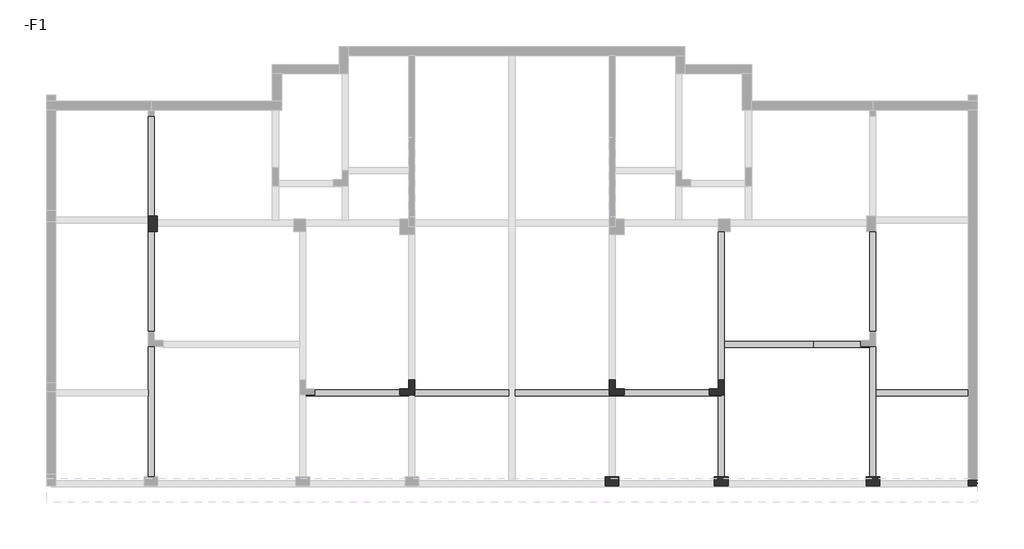
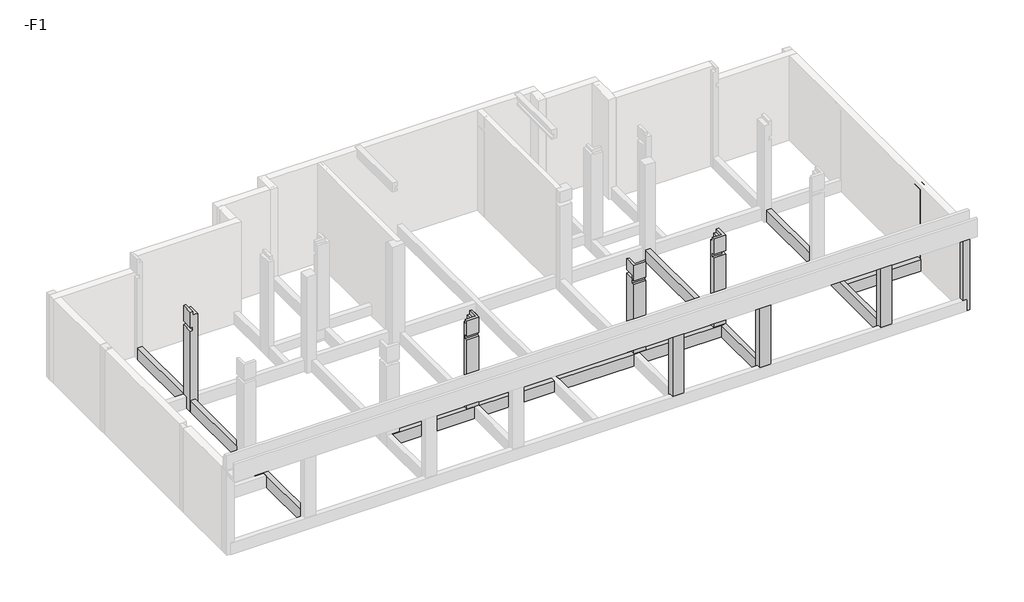
# One storey, part 2 of 4: 17 columns, 7 beams.
"""IFC4 building model written with IfcOpenShell, lengths in millimetres."""

from ifc_helpers import new_model, si_unit, frame, origin, place, context, project, spatial, polyline, outline, extrude, faceted_brep, element, save

model = new_model("IFC4")

# Units and contexts
model_context = context("Model", 3, world=origin())
ifc_project = project(units=[si_unit("LENGTHUNIT", "METRE", prefix="MILLI")], contexts=[model_context])

# Site, building, storey
site = spatial("IfcSite", under=ifc_project)
building = spatial("IfcBuilding", under=site)
storey = spatial("IfcBuildingStorey", under=building, Name="-F1", Elevation=-3900.0)

# Beams
placement = place(None, origin())
element("IfcBeam", 1, at=placement, inside=storey, context=model_context, shape_type="Brep", body=[
    faceted_brep([(-15967.9488808, 7451.1929485, -3900.0), (-16167.9488808, 7451.1929485, -3900.0), (-16167.9488808, 4151.1929535, -3900.0), (-15967.9488808, 4151.1929535, -3900.0), (-15967.9488808, 7451.1929485, -4400.0), (-15967.9488808, 4151.1929535, -4400.0), (-16167.9488808, 7451.1929485, -4400.0), (-16167.9488808, 4151.1929535, -4400.0)], [[[0, 1, 2, 3]], [[4, 0, 3, 5]], [[6, 4, 5, 7]], [[1, 6, 7, 2]], [[1, 0, 4, 6]], [[3, 2, 7, 5]]]),
    faceted_brep([(-16167.9488808, 3651.1929535, -3900.0), (-15967.9488808, 3651.1929535, -3900.0), (-15967.9488808, 3651.1929535, -4400.0), (-16167.9488808, 3651.1929535, -4400.0), (-15967.9488808, 351.187898, -3900.0), (-16167.9488808, 351.187898, -3900.0), (-16167.9488808, 351.187898, -4400.0), (-15967.9488808, 351.187898, -4400.0)], [[[0, 1, 2, 3]], [[4, 5, 6, 7]], [[1, 0, 5, 4]], [[2, 1, 4, 7]], [[3, 2, 7, 6]], [[0, 3, 6, 5]]]),
    faceted_brep([(-16167.9488808, -148.812102, -3900.0), (-15967.9488808, -148.812102, -3900.0), (-15967.9488808, -148.812102, -4400.0), (-16167.9488808, -148.812102, -4400.0), (-15967.9488808, -4448.8065585, -3900.0), (-16167.9488808, -4448.8065585, -3900.0), (-16167.9488808, -4448.8065585, -4400.0), (-15967.9488808, -4448.8065585, -4400.0), (-16167.9488808, -1579.2600705, -3900.0), (-16167.9488808, -1779.2600705, -3900.0), (-16167.9488808, -1779.2600705, -4400.0), (-16167.9488808, -1579.2600705, -4400.0)], [[[0, 1, 2, 3]], [[4, 5, 6, 7]], [[1, 0, 8, 9, 5, 4]], [[2, 1, 4, 7]], [[3, 2, 7, 6, 10, 11]], [[0, 3, 11, 10, 6, 5, 9, 8]]]),
])
element("IfcBeam", 2, at=placement, inside=storey, context=model_context, shape_type="Brep", body=[
    faceted_brep([(2332.0511192, -1748.8070515, -3900.0), (2332.0511192, -1579.255022, -3900.0), (-467.9488808, -1579.255022, -3900.0), (-467.9488808, -1748.812102, -3900.0), (-967.9488808, -1748.812102, -3900.0), (-967.9488808, -1579.255022, -3900.0), (-4067.9488808, -1579.255022, -3900.0), (-4067.9488808, -1779.255022, -3900.0), (-967.9488808, -1779.255022, -3900.0), (-767.9488808, -1779.255022, -3900.0), (2632.0511192, -1779.255022, -3900.0), (2732.0511192, -1779.255022, -3900.0), (2732.0511192, -1748.8070515, -3900.0), (2732.0511192, -1779.255022, -4400.0), (-4067.9488808, -1779.255022, -4400.0), (-967.9488808, -1779.255022, -4400.0), (-767.9488808, -1779.255022, -4400.0), (2632.0511192, -1779.255022, -4400.0), (2332.0511192, -1579.255022, -4400.0), (2332.0511192, -1748.8070515, -4400.0), (2732.0511192, -1748.8070515, -4400.0), (-4067.9488808, -1579.255022, -4400.0), (-967.9488808, -1579.255022, -4400.0), (-967.9488808, -1748.812102, -4400.0), (-467.9488808, -1748.812102, -4400.0), (-467.9488808, -1579.255022, -4400.0)], [[[0, 1, 2, 3, 4, 5, 6, 7, 8, 9, 10, 11, 12]], [[13, 11, 10, 9, 8, 7, 14, 15, 16, 17]], [[18, 19, 20, 13, 17, 16, 15, 14, 21, 22, 23, 24, 25]], [[1, 18, 25, 2]], [[11, 13, 20, 12]], [[0, 19, 18, 1]], [[19, 0, 12, 20]], [[24, 3, 2, 25]], [[4, 23, 22, 5]], [[3, 24, 23, 4]], [[5, 22, 21, 6]], [[6, 21, 14, 7]]]),
    faceted_brep([(-10667.9488808, -1748.8070515, -4400.0), (-10667.9488808, -1748.8070515, -3900.0), (-10667.9488808, -1579.255022, -3900.0), (-10667.9488808, -1579.255022, -4400.0), (-10967.9488808, -1748.8070515, -4400.0), (-10967.9488808, -1748.8070515, -3900.0), (-7867.9488808, -1748.812102, -3900.0), (-7867.9488808, -1748.812102, -4400.0), (-7867.9488808, -1579.255022, -4400.0), (-7867.9488808, -1579.255022, -3900.0), (-7567.9488808, -1748.812102, -3900.0), (-7567.9488808, -1748.812102, -4400.0), (-7567.9488808, -1779.255022, -3900.0), (-7567.9488808, -1779.255022, -4400.0), (-10967.9488808, -1779.255022, -3900.0), (-10967.9488808, -1779.255022, -4400.0)], [[[0, 1, 2, 3]], [[1, 0, 4, 5]], [[6, 7, 8, 9]], [[7, 6, 10, 11]], [[3, 2, 9, 8]], [[10, 12, 13, 11]], [[2, 1, 5, 14, 12, 10, 6, 9]], [[13, 12, 14, 15]], [[0, 3, 8, 7, 11, 13, 15, 4]], [[5, 4, 15, 14]]]),
    faceted_brep([(-7367.9488808, -1579.255022, -3900.0), (-7367.9488808, -1579.255022, -4400.0), (-7367.9488808, -1748.812102, -4400.0), (-7367.9488808, -1779.255022, -4400.0), (-7367.9488808, -1779.255022, -3900.0), (-7367.9488808, -1748.812102, -3900.0), (-4267.9488808, -1579.255022, -4400.0), (-4267.9488808, -1579.255022, -3900.0), (-4267.9488808, -1779.255022, -3900.0), (-4267.9488808, -1779.255022, -4400.0)], [[[0, 1, 2, 3, 4, 5]], [[6, 7, 8, 9]], [[1, 0, 7, 6]], [[0, 5, 4, 8, 7]], [[4, 3, 9, 8]], [[3, 2, 1, 6, 9]]]),
])
element("IfcBeam", 3, at=placement, inside=storey, context=model_context, shape_type="Brep", body=[
    faceted_brep([(7832.0511192, 3651.1929535, -3900.0), (7632.0511192, 3651.1929535, -3900.0), (7632.0511192, 351.187898, -3900.0), (7832.0511192, 351.187898, -3900.0), (7832.0511192, 3651.1929535, -4400.0), (7832.0511192, 351.187898, -4400.0), (7632.0511192, 3651.1929535, -4400.0), (7632.0511192, 351.187898, -4400.0)], [[[0, 1, 2, 3]], [[4, 0, 3, 5]], [[6, 4, 5, 7]], [[1, 6, 7, 2]], [[1, 0, 4, 6]], [[3, 2, 7, 5]]]),
    faceted_brep([(7832.0511192, -4448.8065585, -3900.0), (7632.0511192, -4448.8065585, -3900.0), (7632.0511192, -4448.8065585, -4400.0), (7832.0511192, -4448.8065585, -4400.0), (7632.0511192, -148.812102, -3900.0), (7832.0511192, -148.812102, -3900.0), (7832.0511192, -148.812102, -4400.0), (7632.0511192, -148.812102, -4400.0), (7832.0511192, -1779.2600705, -3900.0), (7832.0511192, -1579.2600705, -3900.0), (7632.0511192, -179.2550199, -3900.0), (7832.0511192, -1779.2600705, -4400.0), (7832.0511192, -1579.2600705, -4400.0), (7632.0511192, -179.2550199, -4400.0)], [[[0, 1, 2, 3]], [[4, 5, 6, 7]], [[1, 0, 8, 9, 5, 4, 10]], [[0, 3, 11, 12, 6, 5, 9, 8]], [[3, 2, 13, 7, 6, 12, 11]], [[2, 1, 10, 4, 7, 13]]]),
])
element("IfcBeam", 4, at=placement, inside=storey, context=model_context, shape_type="Brep", body=[
    faceted_brep([(2832.0511192, 3651.1929485, -3900.0), (2632.0511192, 3651.1929485, -3900.0), (2632.0511192, -1248.8070515, -3900.0), (2832.0511192, -1248.8070515, -3900.0), (2832.0511192, -179.2550199, -3900.0), (2832.0511192, 20.7449801, -3900.0), (2832.0511192, 3651.1929485, -4400.0), (2832.0511192, -1248.8070515, -4400.0), (2832.0511192, -179.2550199, -4400.0), (2832.0511192, 20.7449801, -4400.0), (2632.0511192, 3651.1929485, -4400.0), (2632.0511192, -1248.8070515, -4400.0)], [[[0, 1, 2, 3, 4, 5]], [[6, 0, 5, 4, 3, 7, 8, 9]], [[10, 6, 9, 8, 7, 11]], [[1, 10, 11, 2]], [[1, 0, 6, 10]], [[3, 2, 11, 7]]]),
    faceted_brep([(2832.0511192, -4448.8065585, -3900.0), (2632.0511192, -4448.8065585, -3900.0), (2632.0511192, -4448.8065585, -4400.0), (2832.0511192, -4448.8065585, -4400.0), (2832.0511192, -1748.8070515, -3900.0), (2832.0511192, -1748.8070515, -4400.0), (2732.0511192, -1748.8070515, -4400.0), (2732.0511192, -1748.8070515, -3900.0), (2732.0511192, -1779.255022, -3900.0), (2632.0511192, -1779.255022, -3900.0), (2632.0511192, -1779.255022, -4400.0), (2732.0511192, -1779.255022, -4400.0)], [[[0, 1, 2, 3]], [[4, 5, 6, 7]], [[1, 0, 4, 7, 8, 9]], [[0, 3, 5, 4]], [[3, 2, 10, 11, 6, 5]], [[2, 1, 9, 10]], [[8, 11, 10, 9]], [[11, 8, 7, 6]]]),
])
element("IfcBeam", 5, at=placement, inside=storey, context=model_context, shape_type="SweptSolid", body=[
    extrude(outline(polyline([(5767.7489833, 20.7449801), (5767.7489833, -179.2550199), (2832.0511192, -179.2550199), (2832.0511192, 20.7449801), (5767.7489833, 20.7449801)])), frame((0.0, 0.0, -4400.0), z_axis=(0.0, 0.0, 1.0), x_axis=(1.0, 0.0, 0.0)), (0.0, 0.0, 1.0), 500.0),
])
element("IfcBeam", 6, at=placement, inside=storey, context=model_context, shape_type="SweptSolid", body=[
    extrude(outline(polyline([(10882.0511192, -1579.2600705), (10882.0511192, -1779.2600705), (7832.0511192, -1779.2600705), (7832.0511192, -1579.2600705), (10882.0511192, -1579.2600705)])), frame((0.0, 0.0, -4400.0), z_axis=(0.0, 0.0, 1.0), x_axis=(1.0, 0.0, 0.0)), (0.0, 0.0, 1.0), 500.0),
])
element("IfcBeam", 7, at=placement, inside=storey, context=model_context, shape_type="SweptSolid", body=[
    extrude(outline(polyline([(5767.7489833, -179.2550199), (5767.7489833, 20.7449801), (7332.0511192, 20.7449801), (7332.0511192, -148.812102), (7632.0511192, -148.812102), (7632.0511192, -179.2550199), (5767.7489833, -179.2550199)])), frame((0.0, 0.0, -4400.0), z_axis=(0.0, 0.0, 1.0), x_axis=(1.0, 0.0, 0.0)), (0.0, 0.0, 1.0), 500.0),
])

# Columns
element("IfcColumn", 8, ObjectType="KZ-1", at=placement, inside=storey, context=model_context, shape_type="SweptSolid", body=[
    extrude(outline(polyline([(-4400.0, 10882.0511192), (-4400.0, 11182.0511192), (-720.0, 11182.0511192), (-720.0, 11032.0511192), (-870.0, 11032.0511192), (-870.0, 10882.0511192), (-4400.0, 10882.0511192)])), frame((0.0, -1735.148014, 0.0), z_axis=(0.0, 1.0, 0.0), x_axis=(0.0, 0.0, 1.0)), (0.0, 0.0, 1.0), 400.0),
])
element("IfcColumn", 9, ObjectType="KZ-1", at=placement, inside=storey, context=model_context, shape_type="Brep", body=[
    faceted_brep([(11182.0511192, -4748.812102, -4400.0), (11032.0511192, -4748.812102, -4400.0), (10882.0511192, -4748.812102, -4400.0), (10882.0511192, -4579.254527, -4400.0), (10882.0511192, -4548.812102, -4400.0), (11182.0511192, -4548.812102, -4400.0), (10882.0511192, -4748.812102, -3900.0), (10882.0511192, -4748.812102, -720.0), (10882.0511192, -4598.8065585, -720.0), (10882.0511192, -4598.8065585, -870.0), (10882.0511192, -4548.812102, -870.0), (11182.0511192, -4748.812102, -720.0), (11182.0511192, -4548.812102, -720.0), (11032.0511192, -4548.812102, -720.0), (11032.0511192, -4598.8065585, -720.0), (11032.0511192, -4598.8065585, -870.0), (11032.0511192, -4548.812102, -870.0)], [[[0, 1, 2, 3, 4, 5]], [[2, 6, 7, 8, 9, 10, 4, 3]], [[2, 1, 0, 11, 7, 6]], [[11, 0, 5, 12]], [[7, 11, 12, 13, 14, 8]], [[9, 15, 16, 10]], [[15, 14, 13, 16]], [[14, 15, 9, 8]], [[5, 4, 10, 16, 13, 12]]]),
])
element("IfcColumn", 10, ObjectType="KZ-1", at=placement, inside=storey, context=model_context, shape_type="Brep", body=[
    faceted_brep([(11182.0511192, -4748.812102, -4400.0), (11032.0511192, -4748.812102, -4400.0), (10882.0511192, -4748.812102, -4400.0), (10882.0511192, -4579.254527, -4400.0), (10882.0511192, -4548.812102, -4400.0), (11182.0511192, -4548.812102, -4400.0), (10882.0511192, -4748.812102, -3900.0), (10882.0511192, -4748.812102, -720.0), (10882.0511192, -4598.8065585, -720.0), (10882.0511192, -4598.8065585, -870.0), (10882.0511192, -4548.812102, -870.0), (11182.0511192, -4748.812102, -720.0), (11182.0511192, -4548.812102, -720.0), (11032.0511192, -4548.812102, -720.0), (11032.0511192, -4598.8065585, -720.0), (11032.0511192, -4598.8065585, -870.0), (11032.0511192, -4548.812102, -870.0)], [[[0, 1, 2, 3, 4, 5]], [[2, 6, 7, 8, 9, 10, 4, 3]], [[2, 1, 0, 11, 7, 6]], [[11, 0, 5, 12]], [[7, 11, 12, 13, 14, 8]], [[9, 15, 16, 10]], [[15, 14, 13, 16]], [[14, 15, 9, 8]], [[5, 4, 10, 16, 13, 12]]]),
])
element("IfcColumn", 11, ObjectType="KZ-3", at=placement, inside=storey, context=model_context, shape_type="Brep", body=[
    faceted_brep([(-642.9488808, -4448.8065585, -4400.0), (-642.9488808, -4579.254527, -4400.0), (-642.9488808, -4748.8065585, -4400.0), (-1092.9488808, -4748.8065585, -4400.0), (-1092.9488808, -4579.254527, -4400.0), (-1092.9488808, -4448.8065585, -4400.0), (-967.9488808, -4448.8065585, -4400.0), (-767.9488808, -4448.8065585, -4400.0), (-642.9488808, -4448.8065585, -870.0), (-642.9488808, -4598.8065585, -870.0), (-642.9488808, -4598.8065585, -720.0), (-642.9488808, -4748.8065585, -720.0), (-642.9488808, -4748.8065585, -3900.0), (-1092.9488808, -4748.8065585, -720.0), (-1092.9488808, -4748.8065585, -3900.0), (-1092.9488808, -4598.8065585, -720.0), (-1092.9488808, -4598.8065585, -870.0), (-1092.9488808, -4448.8065585, -870.0), (-967.9488808, -4448.8065585, -870.0), (-767.9488808, -4448.8065585, -870.0)], [[[0, 1, 2, 3, 4, 5, 6, 7]], [[2, 1, 0, 8, 9, 10, 11, 12]], [[3, 2, 12, 11, 13, 14]], [[5, 4, 3, 14, 13, 15, 16, 17]], [[0, 7, 6, 5, 17, 18, 19, 8]], [[13, 11, 10, 15]], [[16, 9, 8, 19, 18, 17]], [[9, 16, 15, 10]]]),
])
element("IfcColumn", 12, ObjectType="KZ-3", at=placement, inside=storey, context=model_context, shape_type="Brep", body=[
    faceted_brep([(7507.0511192, -4448.8065585, -4400.0), (7957.0511192, -4448.8065585, -4400.0), (7957.0511192, -4579.254527, -4400.0), (7957.0511192, -4748.8065585, -4400.0), (7507.0511192, -4748.8065585, -4400.0), (7507.0511192, -4579.254527, -4400.0), (7507.0511192, -4748.8065585, -3900.0), (7507.0511192, -4748.8065585, -720.0), (7507.0511192, -4598.8065585, -720.0), (7507.0511192, -4598.8065585, -870.0), (7507.0511192, -4448.8065585, -870.0), (7957.0511192, -4748.8065585, -3900.0), (7957.0511192, -4748.8065585, -720.0), (7957.0511192, -4448.8065585, -870.0), (7957.0511192, -4598.8065585, -870.0), (7957.0511192, -4598.8065585, -720.0), (7632.0511192, -4448.8065585, -870.0), (7832.0511192, -4448.8065585, -870.0)], [[[0, 1, 2, 3, 4, 5]], [[0, 5, 4, 6, 7, 8, 9, 10]], [[4, 3, 11, 12, 7, 6]], [[3, 2, 1, 13, 14, 15, 12, 11]], [[1, 0, 10, 16, 17, 13]], [[7, 12, 15, 8]], [[9, 14, 13, 17, 16, 10]], [[14, 9, 8, 15]]]),
])
element("IfcColumn", 13, ObjectType="KZ-3", at=placement, inside=storey, context=model_context, shape_type="Brep", body=[
    faceted_brep([(2507.0511192, -4448.8065585, -4400.0), (2957.0511192, -4448.8065585, -4400.0), (2957.0511192, -4579.254527, -4400.0), (2957.0511192, -4748.8065585, -4400.0), (2507.0511192, -4748.8065585, -4400.0), (2507.0511192, -4579.254527, -4400.0), (2507.0511192, -4748.8065585, -3900.0), (2507.0511192, -4748.8065585, -720.0), (2507.0511192, -4598.8065585, -720.0), (2507.0511192, -4598.8065585, -870.0), (2507.0511192, -4448.8065585, -870.0), (2957.0511192, -4748.8065585, -3900.0), (2957.0511192, -4748.8065585, -720.0), (2957.0511192, -4448.8065585, -870.0), (2957.0511192, -4598.8065585, -870.0), (2957.0511192, -4598.8065585, -720.0), (2632.0511192, -4448.8065585, -870.0), (2832.0511192, -4448.8065585, -870.0)], [[[0, 1, 2, 3, 4, 5]], [[0, 5, 4, 6, 7, 8, 9, 10]], [[4, 3, 11, 12, 7, 6]], [[3, 2, 1, 13, 14, 15, 12, 11]], [[1, 0, 10, 16, 17, 13]], [[7, 12, 15, 8]], [[9, 14, 13, 17, 16, 10]], [[14, 9, 8, 15]]]),
])
element("IfcColumn", 14, ObjectType="KZ-3", at=placement, inside=storey, context=model_context, shape_type="Brep", body=[
    faceted_brep([(-1092.9488808, -4448.8065585, -4400.0), (-967.9488808, -4448.8065585, -4400.0), (-767.9488808, -4448.8065585, -4400.0), (-642.9488808, -4448.8065585, -4400.0), (-642.9488808, -4579.254527, -4400.0), (-642.9488808, -4748.8065585, -4400.0), (-1092.9488808, -4748.8065585, -4400.0), (-1092.9488808, -4579.254527, -4400.0), (-1092.9488808, -4748.8065585, -3900.0), (-1092.9488808, -4748.8065585, -720.0), (-1092.9488808, -4598.8065585, -720.0), (-1092.9488808, -4598.8065585, -870.0), (-1092.9488808, -4448.8065585, -870.0), (-642.9488808, -4748.8065585, -3900.0), (-642.9488808, -4748.8065585, -720.0), (-642.9488808, -4448.8065585, -870.0), (-642.9488808, -4598.8065585, -870.0), (-642.9488808, -4598.8065585, -720.0), (-967.9488808, -4448.8065585, -870.0), (-767.9488808, -4448.8065585, -870.0)], [[[0, 1, 2, 3, 4, 5, 6, 7]], [[0, 7, 6, 8, 9, 10, 11, 12]], [[6, 5, 13, 14, 9, 8]], [[5, 4, 3, 15, 16, 17, 14, 13]], [[3, 2, 1, 0, 12, 18, 19, 15]], [[9, 14, 17, 10]], [[11, 16, 15, 19, 18, 12]], [[16, 11, 10, 17]]]),
])
element("IfcColumn", 15, ObjectType="KZ-3", at=placement, inside=storey, context=model_context, shape_type="Brep", body=[
    faceted_brep([(-642.9488808, -4448.8065585, -4400.0), (-642.9488808, -4579.254527, -4400.0), (-642.9488808, -4748.8065585, -4400.0), (-1092.9488808, -4748.8065585, -4400.0), (-1092.9488808, -4579.254527, -4400.0), (-1092.9488808, -4448.8065585, -4400.0), (-967.9488808, -4448.8065585, -4400.0), (-767.9488808, -4448.8065585, -4400.0), (-642.9488808, -4448.8065585, -870.0), (-642.9488808, -4598.8065585, -870.0), (-642.9488808, -4598.8065585, -720.0), (-642.9488808, -4748.8065585, -720.0), (-642.9488808, -4748.8065585, -3900.0), (-1092.9488808, -4748.8065585, -720.0), (-1092.9488808, -4748.8065585, -3900.0), (-1092.9488808, -4598.8065585, -720.0), (-1092.9488808, -4598.8065585, -870.0), (-1092.9488808, -4448.8065585, -870.0), (-967.9488808, -4448.8065585, -870.0), (-767.9488808, -4448.8065585, -870.0)], [[[0, 1, 2, 3, 4, 5, 6, 7]], [[2, 1, 0, 8, 9, 10, 11, 12]], [[3, 2, 12, 11, 13, 14]], [[5, 4, 3, 14, 13, 15, 16, 17]], [[0, 7, 6, 5, 17, 18, 19, 8]], [[13, 11, 10, 15]], [[16, 9, 8, 19, 18, 17]], [[9, 16, 15, 10]]]),
])
element("IfcColumn", 16, ObjectType="KZ-3", at=placement, inside=storey, context=model_context, shape_type="Brep", body=[
    faceted_brep([(7507.0511192, -4448.8065585, -4400.0), (7632.0511192, -4448.8065585, -4400.0), (7832.0511192, -4448.8065585, -4400.0), (7957.0511192, -4448.8065585, -4400.0), (7957.0511192, -4579.254527, -4400.0), (7957.0511192, -4748.8065585, -4400.0), (7507.0511192, -4748.8065585, -4400.0), (7507.0511192, -4579.254527, -4400.0), (7507.0511192, -4748.8065585, -3900.0), (7507.0511192, -4748.8065585, -720.0), (7507.0511192, -4598.8065585, -720.0), (7507.0511192, -4598.8065585, -870.0), (7507.0511192, -4448.8065585, -870.0), (7957.0511192, -4748.8065585, -3900.0), (7957.0511192, -4748.8065585, -720.0), (7957.0511192, -4448.8065585, -870.0), (7957.0511192, -4598.8065585, -870.0), (7957.0511192, -4598.8065585, -720.0), (7632.0511192, -4448.8065585, -870.0), (7832.0511192, -4448.8065585, -870.0)], [[[0, 1, 2, 3, 4, 5, 6, 7]], [[0, 7, 6, 8, 9, 10, 11, 12]], [[6, 5, 13, 14, 9, 8]], [[5, 4, 3, 15, 16, 17, 14, 13]], [[3, 2, 1, 0, 12, 18, 19, 15]], [[9, 14, 17, 10]], [[11, 16, 15, 19, 18, 12]], [[16, 11, 10, 17]]]),
])
element("IfcColumn", 17, ObjectType="KZ-3", at=placement, inside=storey, context=model_context, shape_type="Brep", body=[
    faceted_brep([(2507.0511192, -4448.8065585, -4400.0), (2632.0511192, -4448.8065585, -4400.0), (2832.0511192, -4448.8065585, -4400.0), (2957.0511192, -4448.8065585, -4400.0), (2957.0511192, -4579.254527, -4400.0), (2957.0511192, -4748.8065585, -4400.0), (2507.0511192, -4748.8065585, -4400.0), (2507.0511192, -4579.254527, -4400.0), (2507.0511192, -4748.8065585, -3900.0), (2507.0511192, -4748.8065585, -720.0), (2507.0511192, -4598.8065585, -720.0), (2507.0511192, -4598.8065585, -870.0), (2507.0511192, -4448.8065585, -870.0), (2957.0511192, -4748.8065585, -3900.0), (2957.0511192, -4748.8065585, -720.0), (2957.0511192, -4448.8065585, -870.0), (2957.0511192, -4598.8065585, -870.0), (2957.0511192, -4598.8065585, -720.0), (2632.0511192, -4448.8065585, -870.0), (2832.0511192, -4448.8065585, -870.0)], [[[0, 1, 2, 3, 4, 5, 6, 7]], [[0, 7, 6, 8, 9, 10, 11, 12]], [[6, 5, 13, 14, 9, 8]], [[5, 4, 3, 15, 16, 17, 14, 13]], [[3, 2, 1, 0, 12, 18, 19, 15]], [[9, 14, 17, 10]], [[11, 16, 15, 19, 18, 12]], [[16, 11, 10, 17]]]),
])
element("IfcColumn", 18, ObjectType="KZ-3", at=placement, inside=storey, context=model_context, shape_type="Brep", body=[
    faceted_brep([(-1092.9488808, -4448.8065585, -4400.0), (-967.9488808, -4448.8065585, -4400.0), (-767.9488808, -4448.8065585, -4400.0), (-642.9488808, -4448.8065585, -4400.0), (-642.9488808, -4579.254527, -4400.0), (-642.9488808, -4748.8065585, -4400.0), (-1092.9488808, -4748.8065585, -4400.0), (-1092.9488808, -4579.254527, -4400.0), (-1092.9488808, -4748.8065585, -3900.0), (-1092.9488808, -4748.8065585, -720.0), (-1092.9488808, -4598.8065585, -720.0), (-1092.9488808, -4598.8065585, -870.0), (-1092.9488808, -4448.8065585, -870.0), (-642.9488808, -4748.8065585, -3900.0), (-642.9488808, -4748.8065585, -720.0), (-642.9488808, -4448.8065585, -870.0), (-642.9488808, -4598.8065585, -870.0), (-642.9488808, -4598.8065585, -720.0), (-967.9488808, -4448.8065585, -870.0), (-767.9488808, -4448.8065585, -870.0)], [[[0, 1, 2, 3, 4, 5, 6, 7]], [[0, 7, 6, 8, 9, 10, 11, 12]], [[6, 5, 13, 14, 9, 8]], [[5, 4, 3, 15, 16, 17, 14, 13]], [[3, 2, 1, 0, 12, 18, 19, 15]], [[9, 14, 17, 10]], [[11, 16, 15, 19, 18, 12]], [[16, 11, 10, 17]]]),
])
element("IfcColumn", 19, ObjectType="KZ-4", at=placement, inside=storey, context=model_context, shape_type="Brep", body=[
    faceted_brep([(-7867.9488808, -1748.812102, -4400.0), (-7867.9488808, -1579.255022, -4400.0), (-7867.9488808, -1548.812102, -4400.0), (-7567.9488808, -1548.812102, -4400.0), (-7567.9488808, -1248.812102, -4400.0), (-7367.9488808, -1248.812102, -4400.0), (-7367.9488808, -1579.255022, -4400.0), (-7367.9488808, -1748.812102, -4400.0), (-7567.9488808, -1748.812102, -4400.0), (-7867.9488808, -1748.812102, -3900.0), (-7867.9488808, -1748.812102, -870.0), (-7867.9488808, -1649.306805, -870.0), (-7867.9488808, -1649.306805, -720.0), (-7867.9488808, -1748.812102, -720.0), (-7867.9488808, -1748.812102, -40.0), (-7867.9488808, -1648.3095768, -40.0), (-7867.9488808, -1648.3095768, -190.0), (-7867.9488808, -1548.812102, -190.0), (-7567.9488808, -1548.812102, -190.0), (-7567.9488808, -1248.812102, -190.0), (-7567.9488808, -1248.812102, -890.0), (-7567.9488808, -1248.812102, -3900.0), (-7467.9488808, -1248.812102, -190.0), (-7467.9488808, -1248.812102, -40.0), (-7367.9488808, -1248.812102, -40.0), (-7367.9488808, -1248.812102, -520.0), (-7468.0210684, -1248.812102, -520.0), (-7468.0210684, -1248.812102, -670.0), (-7367.9488808, -1248.812102, -670.0), (-7367.9488808, -1248.812102, -890.0), (-7367.9488808, -1248.812102, -3900.0), (-7367.9488808, -1648.0607162, -670.0), (-7367.9488808, -1648.0607162, -520.0), (-7367.9488808, -1748.812102, -40.0), (-7367.9488808, -1748.812102, -720.0), (-7367.9488808, -1649.306805, -720.0), (-7367.9488808, -1649.306805, -870.0), (-7367.9488808, -1748.812102, -870.0), (-7367.9488808, -1748.812102, -1220.0), (-7367.9488808, -1748.812102, -3900.0), (-7467.9488808, -1648.3095768, -40.0), (-7567.9488808, -1748.812102, -870.0), (-7468.0210684, -1648.0607162, -670.0), (-7468.0210684, -1648.0607162, -520.0), (-7467.9488808, -1648.3095768, -190.0)], [[[0, 1, 2, 3, 4, 5, 6, 7, 8]], [[2, 1, 0, 9, 10, 11, 12, 13, 14, 15, 16, 17]], [[3, 2, 17, 18]], [[4, 3, 18, 19, 20, 21]], [[5, 4, 21, 20, 19, 22, 23, 24, 25, 26, 27, 28, 29, 30]], [[7, 6, 5, 30, 29, 28, 31, 32, 25, 24, 33, 34, 35, 36, 37, 38, 39]], [[33, 14, 13, 34]], [[33, 24, 23, 40, 15, 14]], [[36, 11, 10, 41, 37]], [[13, 12, 35, 34]], [[11, 36, 35, 12]], [[0, 8, 7, 39, 38, 37, 41, 10, 9]], [[27, 42, 31, 28]], [[32, 43, 26, 25]], [[42, 43, 32, 31]], [[43, 42, 27, 26]], [[16, 44, 22, 19, 18, 17]], [[44, 40, 23, 22]], [[40, 44, 16, 15]]]),
])
element("IfcColumn", 20, ObjectType="KZ-4", at=placement, inside=storey, context=model_context, shape_type="Brep", body=[
    faceted_brep([(-467.9488808, -1748.812102, -4400.0), (-967.9488808, -1748.812102, -4400.0), (-967.9488808, -1579.255022, -4400.0), (-967.9488808, -1248.812102, -4400.0), (-767.9488808, -1248.812102, -4400.0), (-767.9488808, -1548.812102, -4400.0), (-467.9488808, -1548.812102, -4400.0), (-467.9488808, -1579.255022, -4400.0), (-467.9488808, -1548.812102, -190.0), (-467.9488808, -1648.3095768, -190.0), (-467.9488808, -1648.3095768, -40.0), (-467.9488808, -1748.812102, -40.0), (-467.9488808, -1748.812102, -720.0), (-467.9488808, -1649.306805, -720.0), (-467.9488808, -1649.306805, -870.0), (-467.9488808, -1748.812102, -870.0), (-467.9488808, -1748.812102, -3900.0), (-767.9488808, -1548.812102, -190.0), (-767.9488808, -1248.812102, -3900.0), (-767.9488808, -1248.812102, -190.0), (-967.9488808, -1248.812102, -3900.0), (-967.9488808, -1248.812102, -670.0), (-867.9488808, -1248.812102, -670.0), (-867.9488808, -1248.812102, -520.0), (-967.9488808, -1248.812102, -520.0), (-967.9488808, -1248.812102, -40.0), (-868.0210684, -1248.812102, -40.0), (-868.0210684, -1248.812102, -190.0), (-967.9488808, -1748.812102, -3900.0), (-967.9488808, -1748.812102, -870.0), (-967.9488808, -1649.306805, -870.0), (-967.9488808, -1649.306805, -720.0), (-967.9488808, -1748.812102, -720.0), (-967.9488808, -1748.812102, -40.0), (-967.9488808, -1648.0607162, -520.0), (-967.9488808, -1648.0607162, -670.0), (-868.0210684, -1648.3095768, -40.0), (-867.9488808, -1648.0607162, -670.0), (-867.9488808, -1648.0607162, -520.0), (-868.0210684, -1648.3095768, -190.0)], [[[0, 1, 2, 3, 4, 5, 6, 7]], [[0, 7, 6, 8, 9, 10, 11, 12, 13, 14, 15, 16]], [[6, 5, 17, 8]], [[5, 4, 18, 19, 17]], [[4, 3, 20, 21, 22, 23, 24, 25, 26, 27, 19, 18]], [[3, 2, 1, 28, 29, 30, 31, 32, 33, 25, 24, 34, 35, 21, 20]], [[11, 33, 32, 12]], [[25, 33, 11, 10, 36, 26]], [[14, 30, 29, 15]], [[31, 13, 12, 32]], [[13, 31, 30, 14]], [[1, 0, 16, 15, 29, 28]], [[35, 37, 22, 21]], [[23, 38, 34, 24]], [[37, 38, 23, 22]], [[38, 37, 35, 34]], [[27, 39, 9, 8, 17, 19]], [[36, 39, 27, 26]], [[39, 36, 10, 9]]]),
])
element("IfcColumn", 21, ObjectType="KZ-4", at=placement, inside=storey, context=model_context, shape_type="Brep", body=[
    faceted_brep([(2832.0511192, -1248.8070515, -4400.0), (2832.0511192, -1748.8070515, -4400.0), (2732.0511192, -1748.8070515, -4400.0), (2332.0511192, -1748.8070515, -4400.0), (2332.0511192, -1548.8070515, -4400.0), (2632.0511192, -1548.8070515, -4400.0), (2632.0511192, -1248.8070515, -4400.0), (2632.0511192, -1248.8070515, -3900.0), (2632.0511192, -1248.8070515, -190.0), (2731.9789316, -1248.8070515, -190.0), (2731.9789316, -1248.8070515, -40.0), (2832.0511192, -1248.8070515, -40.0), (2832.0511192, -1248.8070515, -720.0), (2732.0511192, -1248.8070515, -720.0), (2732.0511192, -1248.8070515, -870.0), (2832.0511192, -1248.8070515, -870.0), (2832.0511192, -1248.8070515, -3900.0), (2632.0511192, -1548.8070515, -190.0), (2332.0511192, -1548.8070515, -190.0), (2332.0511192, -1748.8070515, -870.0), (2332.0511192, -1649.306805, -870.0), (2332.0511192, -1649.306805, -720.0), (2332.0511192, -1748.8070515, -720.0), (2332.0511192, -1748.8070515, -40.0), (2332.0511192, -1648.3095768, -40.0), (2332.0511192, -1648.3095768, -190.0), (2832.0511192, -1748.8070515, -40.0), (2832.0511192, -1748.8070515, -720.0), (2731.9789316, -1648.3095768, -40.0), (2732.0511192, -1649.306805, -870.0), (2832.0511192, -1748.8070515, -870.0), (2732.0511192, -1649.306805, -720.0), (2832.0511192, -1748.8070515, -3900.0), (2731.9789316, -1648.3095768, -190.0)], [[[0, 1, 2, 3, 4, 5, 6]], [[0, 6, 7, 8, 9, 10, 11, 12, 13, 14, 15, 16]], [[6, 5, 17, 8, 7]], [[5, 4, 18, 17]], [[4, 3, 19, 20, 21, 22, 23, 24, 25, 18]], [[26, 23, 22, 27]], [[11, 26, 27, 12]], [[23, 26, 11, 10, 28, 24]], [[14, 29, 20, 19, 30, 15]], [[31, 13, 12, 27, 22, 21]], [[29, 31, 21, 20]], [[31, 29, 14, 13]], [[3, 2, 1, 32, 30, 19]], [[1, 0, 16, 15, 30, 32]], [[25, 33, 9, 8, 17, 18]], [[28, 33, 25, 24]], [[33, 28, 10, 9]]]),
])
element("IfcColumn", 22, ObjectType="KZ-4", at=placement, inside=storey, context=model_context, shape_type="Brep", body=[
    faceted_brep([(-7867.9488808, -1748.812102, -4400.0), (-7867.9488808, -1579.255022, -4400.0), (-7867.9488808, -1548.812102, -4400.0), (-7567.9488808, -1548.812102, -4400.0), (-7567.9488808, -1248.812102, -4400.0), (-7367.9488808, -1248.812102, -4400.0), (-7367.9488808, -1579.255022, -4400.0), (-7367.9488808, -1748.812102, -4400.0), (-7567.9488808, -1748.812102, -4400.0), (-7867.9488808, -1748.812102, -3900.0), (-7867.9488808, -1748.812102, -870.0), (-7867.9488808, -1649.306805, -870.0), (-7867.9488808, -1649.306805, -720.0), (-7867.9488808, -1748.812102, -720.0), (-7867.9488808, -1748.812102, -40.0), (-7867.9488808, -1648.3095768, -40.0), (-7867.9488808, -1648.3095768, -190.0), (-7867.9488808, -1548.812102, -190.0), (-7567.9488808, -1548.812102, -190.0), (-7567.9488808, -1248.812102, -190.0), (-7567.9488808, -1248.812102, -890.0), (-7567.9488808, -1248.812102, -3900.0), (-7467.9488808, -1248.812102, -190.0), (-7467.9488808, -1248.812102, -40.0), (-7367.9488808, -1248.812102, -40.0), (-7367.9488808, -1248.812102, -520.0), (-7468.0210684, -1248.812102, -520.0), (-7468.0210684, -1248.812102, -670.0), (-7367.9488808, -1248.812102, -670.0), (-7367.9488808, -1248.812102, -890.0), (-7367.9488808, -1248.812102, -3900.0), (-7367.9488808, -1548.8070515, -670.0), (-7367.9488808, -1648.0607162, -670.0), (-7367.9488808, -1648.0607162, -520.0), (-7367.9488808, -1548.8070515, -520.0), (-7367.9488808, -1548.8070515, -40.0), (-7367.9488808, -1748.812102, -40.0), (-7367.9488808, -1748.812102, -720.0), (-7367.9488808, -1649.306805, -720.0), (-7367.9488808, -1649.306805, -740.0), (-7367.9488808, -1649.306805, -870.0), (-7367.9488808, -1748.812102, -870.0), (-7367.9488808, -1748.812102, -1220.0), (-7367.9488808, -1748.812102, -3900.0), (-7467.9488808, -1648.3095768, -40.0), (-7567.9488808, -1748.812102, -870.0), (-7468.0210684, -1648.0607162, -670.0), (-7468.0210684, -1648.0607162, -520.0), (-7467.9488808, -1648.3095768, -190.0)], [[[0, 1, 2, 3, 4, 5, 6, 7, 8]], [[2, 1, 0, 9, 10, 11, 12, 13, 14, 15, 16, 17]], [[3, 2, 17, 18]], [[4, 3, 18, 19, 20, 21]], [[5, 4, 21, 20, 19, 22, 23, 24, 25, 26, 27, 28, 29, 30]], [[7, 6, 5, 30, 29, 28, 31, 32, 33, 34, 25, 24, 35, 36, 37, 38, 39, 40, 41, 42, 43]], [[36, 14, 13, 37]], [[36, 35, 24, 23, 44, 15, 14]], [[40, 11, 10, 45, 41]], [[13, 12, 38, 37]], [[11, 40, 39, 38, 12]], [[0, 8, 7, 43, 42, 41, 45, 10, 9]], [[27, 46, 32, 31, 28]], [[33, 47, 26, 25, 34]], [[46, 47, 33, 32]], [[47, 46, 27, 26]], [[16, 48, 22, 19, 18, 17]], [[48, 44, 23, 22]], [[44, 48, 16, 15]]]),
])
element("IfcColumn", 23, ObjectType="KZ-4", at=placement, inside=storey, context=model_context, shape_type="Brep", body=[
    faceted_brep([(2832.0511192, -1248.8070515, -4400.0), (2832.0511192, -1748.8070515, -4400.0), (2732.0511192, -1748.8070515, -4400.0), (2332.0511192, -1748.8070515, -4400.0), (2332.0511192, -1579.255022, -4400.0), (2332.0511192, -1548.8070515, -4400.0), (2632.0511192, -1548.8070515, -4400.0), (2632.0511192, -1248.8070515, -4400.0), (2632.0511192, -1248.8070515, -3900.0), (2632.0511192, -1248.8070515, -890.0), (2632.0511192, -1248.8070515, -190.0), (2731.9789316, -1248.8070515, -190.0), (2731.9789316, -1248.8070515, -40.0), (2832.0511192, -1248.8070515, -40.0), (2832.0511192, -1248.8070515, -720.0), (2732.0511192, -1248.8070515, -720.0), (2732.0511192, -1248.8070515, -870.0), (2832.0511192, -1248.8070515, -870.0), (2832.0511192, -1248.8070515, -890.0), (2832.0511192, -1248.8070515, -3900.0), (2632.0511192, -1548.8070515, -190.0), (2332.0511192, -1548.8070515, -890.0), (2332.0511192, -1548.8070515, -190.0), (2332.0511192, -1748.8070515, -3900.0), (2332.0511192, -1748.8070515, -890.0), (2332.0511192, -1748.8070515, -870.0), (2332.0511192, -1649.306805, -870.0), (2332.0511192, -1649.306805, -720.0), (2332.0511192, -1748.8070515, -720.0), (2332.0511192, -1748.8070515, -40.0), (2332.0511192, -1648.3095768, -40.0), (2332.0511192, -1648.3095768, -190.0), (2832.0511192, -1748.8070515, -40.0), (2832.0511192, -1748.8070515, -720.0), (2731.9789316, -1648.3095768, -40.0), (2732.0511192, -1649.306805, -870.0), (2632.0511192, -1748.8070515, -870.0), (2832.0511192, -1748.8070515, -870.0), (2832.0511192, -1548.8070515, -870.0), (2732.0511192, -1649.306805, -720.0), (2832.0511192, -1748.8070515, -3900.0), (2832.0511192, -1748.8070515, -1220.0), (2731.9789316, -1648.3095768, -190.0)], [[[0, 1, 2, 3, 4, 5, 6, 7]], [[0, 7, 8, 9, 10, 11, 12, 13, 14, 15, 16, 17, 18, 19]], [[7, 6, 20, 10, 9, 8]], [[6, 5, 21, 22, 20]], [[5, 4, 3, 23, 24, 25, 26, 27, 28, 29, 30, 31, 22, 21]], [[32, 29, 28, 33]], [[13, 32, 33, 14]], [[29, 32, 13, 12, 34, 30]], [[16, 35, 26, 25, 36, 37, 38, 17]], [[39, 15, 14, 33, 28, 27]], [[35, 39, 27, 26]], [[39, 35, 16, 15]], [[3, 2, 1, 40, 41, 37, 36, 25, 24, 23]], [[1, 0, 19, 18, 17, 38, 37, 41, 40]], [[31, 42, 11, 10, 20, 22]], [[34, 42, 31, 30]], [[42, 34, 12, 11]]]),
])
element("IfcColumn", 24, ObjectType="KZ-5", at=placement, inside=storey, context=model_context, shape_type="Brep", body=[
    faceted_brep([(-15867.9082316, 4151.1929535, -4400.0), (-15867.9082316, 4020.7399295, -4400.0), (-15867.9082316, 3820.7399295, -4400.0), (-15867.9082316, 3651.1929535, -4400.0), (-15967.9488808, 3651.1929535, -4400.0), (-16167.9082316, 3651.1929535, -4400.0), (-16167.9082316, 3920.739838, -4400.0), (-16167.9082316, 4120.739838, -4400.0), (-16167.9082316, 4151.1929535, -4400.0), (-15967.9488808, 4151.1929535, -4400.0), (-15867.9082316, 4151.1929535, -190.0), (-15867.9082316, 3651.1929535, -190.0), (-15967.9488808, 3651.1929535, -190.0), (-16067.9488808, 3651.1929535, -190.0), (-16067.9488808, 3651.1929535, -40.0), (-16167.9082316, 3651.1929535, -40.0), (-16167.9082316, 3651.1929535, -720.0), (-16067.9488808, 3651.1929535, -720.0), (-16067.9488808, 3651.1929535, -870.0), (-16167.9082316, 3651.1929535, -870.0), (-16167.9082316, 4151.1929535, -40.0), (-16167.9082316, 4151.1929535, -720.0), (-16167.9082316, 4151.1929535, -870.0), (-16067.9488808, 4151.1929535, -870.0), (-16067.9488808, 4151.1929535, -720.0), (-16067.9488808, 4151.1929535, -40.0), (-16067.9488808, 4151.1929535, -190.0), (-15967.9488808, 4151.1929535, -190.0)], [[[0, 1, 2, 3, 4, 5, 6, 7, 8, 9]], [[3, 2, 1, 0, 10, 11]], [[5, 4, 3, 11, 12, 13, 14, 15, 16, 17, 18, 19]], [[15, 20, 21, 16]], [[0, 9, 8, 22, 23, 24, 21, 20, 25, 26, 27, 10]], [[20, 15, 14, 25]], [[18, 23, 22, 19]], [[17, 16, 21, 24]], [[23, 18, 17, 24]], [[8, 7, 6, 5, 19, 22]], [[26, 13, 12, 11, 10, 27]], [[13, 26, 25, 14]]]),
])

save(model, "model.ifc")
